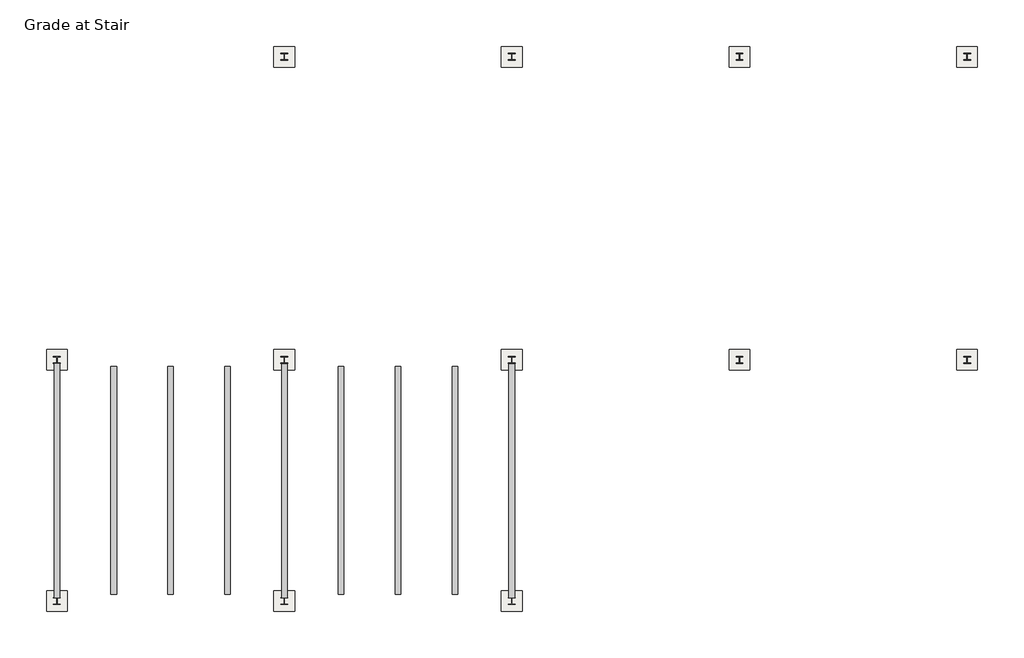
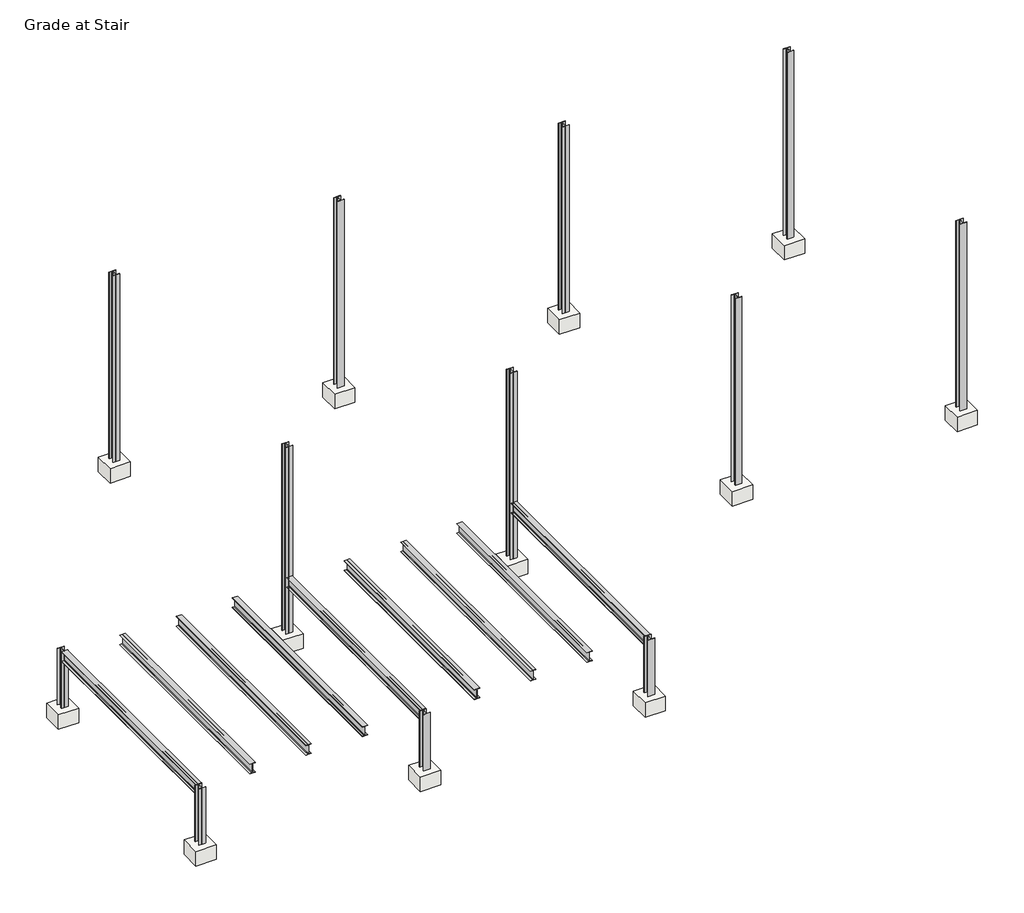
# One storey: 12 columns, 12 slabs, 9 beams.
"""IFC4 building model written with IfcOpenShell, lengths in millimetres."""

import ifcopenshell
import ifcopenshell.guid

model = None  # the IFC model being written
_history = None  # IfcOwnerHistory: only IFC2X3 demands one
_inside = {}  # id of a spatial element -> (the spatial element, [elements in it])
_under = {}  # id of a project, library or spatial element -> (it, [spatial elements below it])
_declared = {}  # id of a project -> (the project, [libraries it declares])
_typed = {}  # id of a type object -> (the type object, [elements of that type])
_made_of = {}  # id of a material, layer set ... -> (it, [elements and type objects made of it])


def new_model(schema):
    """Start an empty IFC model of exactly this schema.

    Asked for "IFC4X3", IfcOpenShell would pick the latest addendum, in which some entities
    have other attributes; the version numbers below select the first issue.
    IFC2X3 requires an IfcOwnerHistory on every rooted entity: one is made here for all.
    """
    global model, _history
    if schema == "IFC4X3":
        model = ifcopenshell.file(schema_version=(4, 3, 0, 0))
    else:
        model = ifcopenshell.file(schema=schema)
    _inside.clear()
    _under.clear()
    _declared.clear()
    _typed.clear()
    _made_of.clear()
    _history = None
    if model.schema == "IFC2X3":
        org = make("IfcOrganization", Name="unknown")
        user = make(
            "IfcPersonAndOrganization",
            ThePerson=make("IfcPerson", FamilyName="unknown"),
            TheOrganization=org,
        )
        app = make(
            "IfcApplication",
            ApplicationDeveloper=org,
            Version="unknown",
            ApplicationFullName="unknown",
            ApplicationIdentifier="unknown",
        )
        _history = make(
            "IfcOwnerHistory",
            OwningUser=user,
            OwningApplication=app,
            ChangeAction="ADDED",
            CreationDate=0,
        )
    return model


def make(cls, **values):
    """One entity of the class cls with the attributes given. An attribute that is None is left unset."""
    return model.create_entity(
        cls, **{name: value for name, value in values.items() if value is not None}
    )


def rooted(cls, **values):
    """An entity with a GlobalId (a new one), such as an element, a storey or a relation."""
    return make(cls, GlobalId=ifcopenshell.guid.new(), OwnerHistory=_history, **values)


def si_unit(unit_type, name, prefix=None):
    """IfcSIUnit, for example si_unit("LENGTHUNIT", "METRE", prefix="MILLI")."""
    return make("IfcSIUnit", UnitType=unit_type, Prefix=prefix, Name=name)


def assignment(units):
    """IfcUnitAssignment: the units of a project."""
    return None if units is None else make("IfcUnitAssignment", Units=units)


def point(xyz):
    """IfcCartesianPoint."""
    return None if xyz is None else make("IfcCartesianPoint", Coordinates=xyz)


def direction(xyz):
    """IfcDirection."""
    return None if xyz is None else make("IfcDirection", DirectionRatios=xyz)


def frame(location, z_axis=None, x_axis=None):
    """IfcAxis2Placement3D, a coordinate frame: its origin and axes. An axis left out is left unset."""
    return make(
        "IfcAxis2Placement3D",
        Location=point(location),
        Axis=direction(z_axis),
        RefDirection=direction(x_axis),
    )


def frame_2d(location, x_axis=None):
    """IfcAxis2Placement2D, a coordinate frame in the plane: its origin and x axis."""
    return make(
        "IfcAxis2Placement2D", Location=point(location), RefDirection=direction(x_axis)
    )


def origin():
    """The frame at (0, 0, 0) with its axes left unset."""
    return frame((0.0, 0.0, 0.0))


def place(relative_to, where):
    """IfcLocalPlacement: puts the frame where relative to a parent placement (None: the world)."""
    return make(
        "IfcLocalPlacement", PlacementRelTo=relative_to, RelativePlacement=where
    )


def context(
    kind, dimensions, precision=None, world=None, true_north=None, identifier=None
):
    """IfcGeometricRepresentationContext, for example the 3D "Model" context."""
    return make(
        "IfcGeometricRepresentationContext",
        ContextIdentifier=identifier,
        ContextType=kind,
        CoordinateSpaceDimension=dimensions,
        Precision=precision,
        WorldCoordinateSystem=world,
        TrueNorth=true_north,
    )


def project(units=None, contexts=None):
    """IfcProject with its units and contexts."""
    return rooted(
        "IfcProject",
        Name="project",
        RepresentationContexts=contexts,
        UnitsInContext=assignment(units),
    )


def spatial(cls, under=None, at=None, **own):
    """A site, building, storey or space (cls), placed at a placement, below another one or the project."""
    s = rooted(cls, ObjectPlacement=at, **own)
    if under is not None:
        _under.setdefault(under.id(), (under, []))[1].append(s)
    return s


def polyline(points):
    """IfcPolyline through the points."""
    return make("IfcPolyline", Points=[point(p) for p in points])


def circle_curve(where, radius):
    """IfcCircle in the frame where."""
    return make("IfcCircle", Position=where, Radius=radius)


def trimmed(basis, trim1, trim2, sense, master):
    """IfcTrimmedCurve: the piece of a basis curve between two trims."""
    return make(
        "IfcTrimmedCurve",
        BasisCurve=basis,
        Trim1=trim1,
        Trim2=trim2,
        SenseAgreement=sense,
        MasterRepresentation=master,
    )


def segment(curve, same_sense, transition):
    """IfcCompositeCurveSegment."""
    return make(
        "IfcCompositeCurveSegment",
        Transition=transition,
        SameSense=same_sense,
        ParentCurve=curve,
    )


def composite_curve(segments, self_intersect=None):
    """IfcCompositeCurve: segments joined end to end."""
    return make("IfcCompositeCurve", Segments=segments, SelfIntersect=self_intersect)


def outline(outer, holes=None, kind="AREA"):
    """IfcArbitraryClosedProfileDef: a profile drawn as a closed curve; with holes, ...WithVoids."""
    if holes is None:
        return make("IfcArbitraryClosedProfileDef", ProfileType=kind, OuterCurve=outer)
    return make(
        "IfcArbitraryProfileDefWithVoids",
        ProfileType=kind,
        OuterCurve=outer,
        InnerCurves=holes,
    )


def extrude(swept, where, along, depth):
    """IfcExtrudedAreaSolid: the profile swept, set in the frame where, extruded along a direction by depth."""
    return make(
        "IfcExtrudedAreaSolid",
        SweptArea=swept,
        Position=where,
        ExtrudedDirection=direction(along),
        Depth=depth,
    )


def shape(context_of_items, identifier, shape_type, items):
    """IfcShapeRepresentation: the items that make up one representation, for example the "Body"."""
    return make(
        "IfcShapeRepresentation",
        ContextOfItems=context_of_items,
        RepresentationIdentifier=identifier,
        RepresentationType=shape_type,
        Items=items,
    )


def source(mapping_origin, context_of_items, identifier, shape_type, items):
    """IfcRepresentationMap: a shape defined once, which mapped items show again and again."""
    return make(
        "IfcRepresentationMap",
        MappingOrigin=mapping_origin,
        MappedRepresentation=shape(context_of_items, identifier, shape_type, items),
    )


def transform(
    local_origin,
    x_axis=None,
    y_axis=None,
    z_axis=None,
    scale=None,
    scale2=None,
    scale3=None,
    uniform=True,
):
    """IfcCartesianTransformationOperator3D, or its non-uniform kind. x_axis, y_axis, z_axis: its Axis1, 2, 3."""
    if uniform:
        return make(
            "IfcCartesianTransformationOperator3D",
            Axis1=direction(x_axis),
            Axis2=direction(y_axis),
            LocalOrigin=point(local_origin),
            Scale=scale,
            Axis3=direction(z_axis),
        )
    return make(
        "IfcCartesianTransformationOperator3DnonUniform",
        Axis1=direction(x_axis),
        Axis2=direction(y_axis),
        LocalOrigin=point(local_origin),
        Scale=scale,
        Axis3=direction(z_axis),
        Scale2=scale2,
        Scale3=scale3,
    )


def mapped(mapping_source, mapping_target):
    """IfcMappedItem: shows the shape of a source again, moved by a transform."""
    return make(
        "IfcMappedItem", MappingSource=mapping_source, MappingTarget=mapping_target
    )


def made_of(thing, what):
    """Note that an element or type object is made of a material, layer set ...; save() writes the relation."""
    if what is not None:
        _made_of.setdefault(what.id(), (what, []))[1].append(thing)
    return thing


def element(
    cls,
    number,
    at=None,
    inside=None,
    cuts=None,
    type_object=None,
    material=None,
    context=None,
    identifier="Body",
    shape_type=None,
    held_by="IfcProductDefinitionShape",
    body=None,
    shapes=None,
    **own,
):
    """One element of the class cls, such as IfcWall. Its Tag is "e" and its number.

    at: its placement. inside: the storey or other place that contains it. cuts: it is an
    opening in that element (IfcRelVoidsElement). A single representation is given by context,
    identifier, shape_type and body (its items); several are given by shapes. held_by: the class
    of the entity that holds the representations. save() writes the other relations.
    """
    e = rooted(cls, Tag="e%d" % number, ObjectPlacement=at, **own)
    if body is not None:
        shapes = [shape(context, identifier, shape_type, body)]
    if shapes is not None:
        e.Representation = make(held_by, Representations=shapes)
    if inside is not None:
        _inside.setdefault(inside.id(), (inside, []))[1].append(e)
    if cuts is not None:
        rooted(
            "IfcRelVoidsElement", RelatingBuildingElement=cuts, RelatedOpeningElement=e
        )
    if type_object is not None:
        _typed.setdefault(type_object.id(), (type_object, []))[1].append(e)
    return made_of(e, material)


def aggregate(whole, parts):
    """IfcRelAggregates: a whole, such as a stair, and the parts it consists of."""
    return rooted("IfcRelAggregates", RelatingObject=whole, RelatedObjects=parts)


def save(model, path):
    """Write the relations noted so far, then the file.

    IfcRelAggregates (storeys below a building ...), IfcRelContainedInSpatialStructure (elements
    in a storey), IfcRelDefinesByType, IfcRelAssociatesMaterial and IfcRelDeclares: one each for
    every whole, place, type object, material and project.
    """
    for whole, parts in _under.values():
        aggregate(whole, parts)
    for where, things in _inside.values():
        rooted(
            "IfcRelContainedInSpatialStructure",
            RelatedElements=things,
            RelatingStructure=where,
        )
    for kind, things in _typed.values():
        rooted("IfcRelDefinesByType", RelatedObjects=things, RelatingType=kind)
    for what, things in _made_of.values():
        rooted("IfcRelAssociatesMaterial", RelatedObjects=things, RelatingMaterial=what)
    for by, libraries in _declared.values():
        rooted("IfcRelDeclares", RelatingContext=by, RelatedDefinitions=libraries)
    model.write(path)


def w_wide_flange_w12x26_2a02e2bb(model_context):
    return source(origin(), model_context, "Body", "SweptSolid", [
        extrude(outline(composite_curve([segment(polyline([(82.4011719, -145.5539063), (82.4011719, -155.178125), (-82.4011719, -155.178125), (-82.4011719, -145.5539063), (-20.2902344, -145.5539063)]), True, "CONTINUOUS"), segment(trimmed(circle_curve(frame_2d((-20.2902344, -128.190625)), 17.3632812), [point((-20.2902344, -145.5539063))], [point((-2.9269531, -128.190625))], True, "CARTESIAN"), True, "CONTINUOUS"), segment(polyline([(-2.9269531, -128.190625), (-2.9269531, 128.190625)]), True, "CONTINUOUS"), segment(trimmed(circle_curve(frame_2d((-20.2902344, 128.190625)), 17.3632812), [point((-2.9269531, 128.190625))], [point((-20.2902344, 145.5539062))], True, "CARTESIAN"), True, "CONTINUOUS"), segment(polyline([(-20.2902344, 145.5539062), (-82.4011719, 145.5539062), (-82.4011719, 155.178125), (82.4011719, 155.178125), (82.4011719, 145.5539062), (20.2902344, 145.5539062)]), True, "CONTINUOUS"), segment(trimmed(circle_curve(frame_2d((20.2902344, 128.190625)), 17.3632812), [point((20.2902344, 145.5539062))], [point((2.9269531, 128.190625))], True, "CARTESIAN"), True, "CONTINUOUS"), segment(polyline([(2.9269531, 128.190625), (2.9269531, -128.190625)]), True, "CONTINUOUS"), segment(trimmed(circle_curve(frame_2d((20.2902344, -128.190625)), 17.3632812), [point((2.9269531, -128.190625))], [point((20.2902344, -145.5539063))], True, "CARTESIAN"), True, "CONTINUOUS"), segment(polyline([(20.2902344, -145.5539063), (82.4011719, -145.5539063)]), True, "CONTINUOUS")], self_intersect=False)), frame((-3444.875, 0.0, 0.0), z_axis=(1.0, 0.0, 0.0), x_axis=(0.0, 1.0, 0.0)), (0.0, 0.0, 1.0), 6902.45),
    ])


def w_wide_flange_w12x26_dfadcac6(model_context):
    return source(origin(), model_context, "Body", "SweptSolid", [
        extrude(outline(composite_curve([segment(polyline([(82.4011719, -145.5539063), (82.4011719, -155.178125), (-82.4011719, -155.178125), (-82.4011719, -145.5539063), (-20.2902344, -145.5539063)]), True, "CONTINUOUS"), segment(trimmed(circle_curve(frame_2d((-20.2902344, -128.190625)), 17.3632812), [point((-20.2902344, -145.5539063))], [point((-2.9269531, -128.190625))], True, "CARTESIAN"), True, "CONTINUOUS"), segment(polyline([(-2.9269531, -128.190625), (-2.9269531, 128.190625)]), True, "CONTINUOUS"), segment(trimmed(circle_curve(frame_2d((-20.2902344, 128.190625)), 17.3632812), [point((-2.9269531, 128.190625))], [point((-20.2902344, 145.5539062))], True, "CARTESIAN"), True, "CONTINUOUS"), segment(polyline([(-20.2902344, 145.5539062), (-82.4011719, 145.5539062), (-82.4011719, 155.178125), (82.4011719, 155.178125), (82.4011719, 145.5539062), (20.2902344, 145.5539062)]), True, "CONTINUOUS"), segment(trimmed(circle_curve(frame_2d((20.2902344, 128.190625)), 17.3632812), [point((20.2902344, 145.5539062))], [point((2.9269531, 128.190625))], True, "CARTESIAN"), True, "CONTINUOUS"), segment(polyline([(2.9269531, 128.190625), (2.9269531, -128.190625)]), True, "CONTINUOUS"), segment(trimmed(circle_curve(frame_2d((20.2902344, -128.190625)), 17.3632812), [point((2.9269531, -128.190625))], [point((20.2902344, -145.5539063))], True, "CARTESIAN"), True, "CONTINUOUS"), segment(polyline([(20.2902344, -145.5539063), (82.4011719, -145.5539063)]), True, "CONTINUOUS")], self_intersect=False)), frame((-3358.515, 0.0, 0.0), z_axis=(1.0, 0.0, 0.0), x_axis=(0.0, 1.0, 0.0)), (0.0, 0.0, 1.0), 6717.03),
    ])


def w_wide_flange_w12x26_c7bc9cb6(model_context):
    return source(origin(), model_context, "Body", "SweptSolid", [
        extrude(outline(composite_curve([segment(polyline([(82.4011719, -145.5539063), (82.4011719, -155.178125), (-82.4011719, -155.178125), (-82.4011719, -145.5539063), (-20.2902344, -145.5539063)]), True, "CONTINUOUS"), segment(trimmed(circle_curve(frame_2d((-20.2902344, -128.190625)), 17.3632812), [point((-20.2902344, -145.5539063))], [point((-2.9269531, -128.190625))], True, "CARTESIAN"), True, "CONTINUOUS"), segment(polyline([(-2.9269531, -128.190625), (-2.9269531, 128.190625)]), True, "CONTINUOUS"), segment(trimmed(circle_curve(frame_2d((-20.2902344, 128.190625)), 17.3632812), [point((-2.9269531, 128.190625))], [point((-20.2902344, 145.5539062))], True, "CARTESIAN"), True, "CONTINUOUS"), segment(polyline([(-20.2902344, 145.5539062), (-82.4011719, 145.5539062), (-82.4011719, 155.178125), (82.4011719, 155.178125), (82.4011719, 145.5539062), (20.2902344, 145.5539062)]), True, "CONTINUOUS"), segment(trimmed(circle_curve(frame_2d((20.2902344, 128.190625)), 17.3632812), [point((20.2902344, 145.5539062))], [point((2.9269531, 128.190625))], True, "CARTESIAN"), True, "CONTINUOUS"), segment(polyline([(2.9269531, 128.190625), (2.9269531, -128.190625)]), True, "CONTINUOUS"), segment(trimmed(circle_curve(frame_2d((20.2902344, -128.190625)), 17.3632812), [point((2.9269531, -128.190625))], [point((20.2902344, -145.5539063))], True, "CARTESIAN"), True, "CONTINUOUS"), segment(polyline([(20.2902344, -145.5539063), (82.4011719, -145.5539063)]), True, "CONTINUOUS")], self_intersect=False)), frame((-3457.575, 0.0, 0.0), z_axis=(1.0, 0.0, 0.0), x_axis=(0.0, 1.0, 0.0)), (0.0, 0.0, 1.0), 6915.15),
    ])


def w_wide_flange_column_w8x31_28103b56(model_context):
    return source(origin(), model_context, "Body", "SweptSolid", [
        extrude(outline(composite_curve([segment(polyline([(101.6, 101.6), (101.6, 90.551), (21.1455, 90.551)]), True, "CONTINUOUS"), segment(trimmed(circle_curve(frame_2d((21.1455, 73.025)), 17.526), [point((21.1455, 90.551))], [point((3.6195, 73.025))], True, "CARTESIAN"), True, "CONTINUOUS"), segment(polyline([(3.6195, 73.025), (3.6195, -73.025)]), True, "CONTINUOUS"), segment(trimmed(circle_curve(frame_2d((21.1455, -73.025)), 17.526), [point((3.6195, -73.025))], [point((21.1455, -90.551))], True, "CARTESIAN"), True, "CONTINUOUS"), segment(polyline([(21.1455, -90.551), (101.6, -90.551), (101.6, -101.6), (-101.6, -101.6), (-101.6, -90.551), (-21.1455, -90.551)]), True, "CONTINUOUS"), segment(trimmed(circle_curve(frame_2d((-21.1455, -73.025)), 17.526), [point((-21.1455, -90.551))], [point((-3.6195, -73.025))], True, "CARTESIAN"), True, "CONTINUOUS"), segment(polyline([(-3.6195, -73.025), (-3.6195, 73.025)]), True, "CONTINUOUS"), segment(trimmed(circle_curve(frame_2d((-21.1455, 73.025)), 17.526), [point((-3.6195, 73.025))], [point((-21.1455, 90.551))], True, "CARTESIAN"), True, "CONTINUOUS"), segment(polyline([(-21.1455, 90.551), (-101.6, 90.551), (-101.6, 101.6), (101.6, 101.6)]), True, "CONTINUOUS")], self_intersect=False)), frame((0.0, 0.0, -1879.6), z_axis=(0.0, 0.0, 1.0), x_axis=(1.0, 0.0, 0.0)), (0.0, 0.0, 1.0), 1778.0),
    ])


def w_wide_flange_column_w8x31_0215fd9c(model_context):
    return source(origin(), model_context, "Body", "SweptSolid", [
        extrude(outline(composite_curve([segment(polyline([(101.6, 101.6), (101.6, 90.551), (21.1455, 90.551)]), True, "CONTINUOUS"), segment(trimmed(circle_curve(frame_2d((21.1455, 73.025)), 17.526), [point((21.1455, 90.551))], [point((3.6195, 73.025))], True, "CARTESIAN"), True, "CONTINUOUS"), segment(polyline([(3.6195, 73.025), (3.6195, -73.025)]), True, "CONTINUOUS"), segment(trimmed(circle_curve(frame_2d((21.1455, -73.025)), 17.526), [point((3.6195, -73.025))], [point((21.1455, -90.551))], True, "CARTESIAN"), True, "CONTINUOUS"), segment(polyline([(21.1455, -90.551), (101.6, -90.551), (101.6, -101.6), (-101.6, -101.6), (-101.6, -90.551), (-21.1455, -90.551)]), True, "CONTINUOUS"), segment(trimmed(circle_curve(frame_2d((-21.1455, -73.025)), 17.526), [point((-21.1455, -90.551))], [point((-3.6195, -73.025))], True, "CARTESIAN"), True, "CONTINUOUS"), segment(polyline([(-3.6195, -73.025), (-3.6195, 73.025)]), True, "CONTINUOUS"), segment(trimmed(circle_curve(frame_2d((-21.1455, 73.025)), 17.526), [point((-3.6195, 73.025))], [point((-21.1455, 90.551))], True, "CARTESIAN"), True, "CONTINUOUS"), segment(polyline([(-21.1455, 90.551), (-101.6, 90.551), (-101.6, 101.6), (101.6, 101.6)]), True, "CONTINUOUS")], self_intersect=False)), frame((0.0, 0.0, -1879.6), z_axis=(0.0, 0.0, 1.0), x_axis=(1.0, 0.0, 0.0)), (0.0, 0.0, 1.0), 5892.8),
    ])


def slab_7414108b(model_context):
    return source(origin(), model_context, "Body", "SweptSolid", [
        extrude(outline(polyline([(304.8, 304.8), (304.8, -304.8), (-304.8, -304.8), (-304.8, 304.8), (304.8, 304.8)])), frame((0.0, 0.0, -457.2), z_axis=(0.0, 0.0, 1.0), x_axis=(1.0, 0.0, 0.0)), (0.0, 0.0, 1.0), 457.2),
    ])


model = new_model("IFC4")

# Units and contexts
model_context = context("Model", 3, world=origin())
ifc_project = project(units=[si_unit("LENGTHUNIT", "METRE", prefix="MILLI")], contexts=[model_context])

# Site, building, storey
site = spatial("IfcSite", under=ifc_project)
building = spatial("IfcBuilding", under=site)
storey = spatial("IfcBuildingStorey", under=building, Name="Grade at Stair", Elevation=-660.4)

# Beams
placement = place(None, origin())
w_wide_flange_w12x26_shape = w_wide_flange_w12x26_2a02e2bb(model_context)
element("IfcBeam", 1, ObjectType="W-Wide Flange : W12X26", at=placement, inside=storey, context=model_context, shape_type="MappedRepresentation", body=[
    mapped(w_wide_flange_w12x26_shape, transform((8420.1, 3457.575, -244.078125), x_axis=(0.0, -1.0, 0.0), y_axis=(1.0, 0.0, 0.0), z_axis=(0.0, 0.0, 1.0))),
])
element("IfcBeam", 2, ObjectType="W-Wide Flange : W12X26", at=placement, inside=storey, context=model_context, shape_type="MappedRepresentation", body=[
    mapped(w_wide_flange_w12x26_shape, transform((15125.7, 3457.575, -244.078125), x_axis=(0.0, -1.0, 0.0), y_axis=(1.0, 0.0, 0.0), z_axis=(0.0, 0.0, 1.0))),
])
w_wide_flange_w12x26_2_shape = w_wide_flange_w12x26_dfadcac6(model_context)
element("IfcBeam", 3, ObjectType="W-Wide Flange : W12X26", at=placement, inside=storey, context=model_context, shape_type="MappedRepresentation", body=[
    mapped(w_wide_flange_w12x26_2_shape, transform((3390.9, 3457.575, -244.078125), x_axis=(0.0, -1.0, 0.0), y_axis=(1.0, 0.0, 0.0), z_axis=(0.0, 0.0, 1.0))),
])
element("IfcBeam", 4, ObjectType="W-Wide Flange : W12X26", at=placement, inside=storey, context=model_context, shape_type="MappedRepresentation", body=[
    mapped(w_wide_flange_w12x26_2_shape, transform((5067.3, 3457.575, -244.078125), x_axis=(0.0, -1.0, 0.0), y_axis=(1.0, 0.0, 0.0), z_axis=(0.0, 0.0, 1.0))),
])
element("IfcBeam", 5, ObjectType="W-Wide Flange : W12X26", at=placement, inside=storey, context=model_context, shape_type="MappedRepresentation", body=[
    mapped(w_wide_flange_w12x26_2_shape, transform((6743.7, 3457.575, -244.078125), x_axis=(0.0, -1.0, 0.0), y_axis=(1.0, 0.0, 0.0), z_axis=(0.0, 0.0, 1.0))),
])
element("IfcBeam", 6, ObjectType="W-Wide Flange : W12X26", at=placement, inside=storey, context=model_context, shape_type="MappedRepresentation", body=[
    mapped(w_wide_flange_w12x26_2_shape, transform((10096.5, 3457.575, -244.078125), x_axis=(0.0, -1.0, 0.0), y_axis=(1.0, 0.0, 0.0), z_axis=(0.0, 0.0, 1.0))),
])
element("IfcBeam", 7, ObjectType="W-Wide Flange : W12X26", at=placement, inside=storey, context=model_context, shape_type="MappedRepresentation", body=[
    mapped(w_wide_flange_w12x26_2_shape, transform((11772.9, 3457.575, -244.078125), x_axis=(0.0, -1.0, 0.0), y_axis=(1.0, 0.0, 0.0), z_axis=(0.0, 0.0, 1.0))),
])
element("IfcBeam", 8, ObjectType="W-Wide Flange : W12X26", at=placement, inside=storey, context=model_context, shape_type="MappedRepresentation", body=[
    mapped(w_wide_flange_w12x26_2_shape, transform((13449.3, 3457.575, -244.078125), x_axis=(0.0, -1.0, 0.0), y_axis=(1.0, 0.0, 0.0), z_axis=(0.0, 0.0, 1.0))),
])
w_wide_flange_w12x26_3_shape = w_wide_flange_w12x26_c7bc9cb6(model_context)
element("IfcBeam", 9, ObjectType="W-Wide Flange : W12X26", at=placement, inside=storey, context=model_context, shape_type="MappedRepresentation", body=[
    mapped(w_wide_flange_w12x26_3_shape, transform((1714.5, 3457.575, -244.078125), x_axis=(0.0, -1.0, 0.0), y_axis=(1.0, 0.0, 0.0), z_axis=(0.0, 0.0, 1.0))),
])

# Columns
w_wide_flange_column_w8x31_shape = w_wide_flange_column_w8x31_28103b56(model_context)
element("IfcColumn", 10, ObjectType="W-Wide Flange-Column : W8X31", at=placement, inside=storey, context=model_context, shape_type="MappedRepresentation", body=[
    mapped(w_wide_flange_column_w8x31_shape, transform((1714.5, -101.6, 0.0), x_axis=(1.0, 0.0, 0.0), y_axis=(0.0, 1.0, 0.0), z_axis=(0.0, 0.0, 1.0))),
])
element("IfcColumn", 11, ObjectType="W-Wide Flange-Column : W8X31", at=placement, inside=storey, context=model_context, shape_type="MappedRepresentation", body=[
    mapped(w_wide_flange_column_w8x31_shape, transform((8420.1, -101.6, 0.0), x_axis=(1.0, 0.0, 0.0), y_axis=(0.0, 1.0, 0.0), z_axis=(0.0, 0.0, 1.0))),
])
element("IfcColumn", 12, ObjectType="W-Wide Flange-Column : W8X31", at=placement, inside=storey, context=model_context, shape_type="MappedRepresentation", body=[
    mapped(w_wide_flange_column_w8x31_shape, transform((15125.7, -101.6, 0.0), x_axis=(1.0, 0.0, 0.0), y_axis=(0.0, 1.0, 0.0), z_axis=(0.0, 0.0, 1.0))),
])
element("IfcColumn", 13, ObjectType="W-Wide Flange-Column : W8X31", at=placement, inside=storey, context=model_context, shape_type="MappedRepresentation", body=[
    mapped(w_wide_flange_column_w8x31_shape, transform((1714.5, 7016.75, 0.0), x_axis=(1.0, 0.0, 0.0), y_axis=(0.0, 1.0, 0.0), z_axis=(0.0, 0.0, 1.0))),
])
w_wide_flange_column_w8x31_2_shape = w_wide_flange_column_w8x31_0215fd9c(model_context)
element("IfcColumn", 14, ObjectType="W-Wide Flange-Column : W8X31", at=placement, inside=storey, context=model_context, shape_type="MappedRepresentation", body=[
    mapped(w_wide_flange_column_w8x31_2_shape, transform((8420.1, 7016.75, 0.0), x_axis=(1.0, 0.0, 0.0), y_axis=(0.0, 1.0, 0.0), z_axis=(0.0, 0.0, 1.0))),
])
element("IfcColumn", 15, ObjectType="W-Wide Flange-Column : W8X31", at=placement, inside=storey, context=model_context, shape_type="MappedRepresentation", body=[
    mapped(w_wide_flange_column_w8x31_2_shape, transform((15125.7, 7016.75, 0.0), x_axis=(1.0, 0.0, 0.0), y_axis=(0.0, 1.0, 0.0), z_axis=(0.0, 0.0, 1.0))),
])
element("IfcColumn", 16, ObjectType="W-Wide Flange-Column : W8X31", at=placement, inside=storey, context=model_context, shape_type="MappedRepresentation", body=[
    mapped(w_wide_flange_column_w8x31_2_shape, transform((21840.825, 7016.75, 0.0), x_axis=(1.0, 0.0, 0.0), y_axis=(0.0, 1.0, 0.0), z_axis=(0.0, 0.0, 1.0))),
])
element("IfcColumn", 17, ObjectType="W-Wide Flange-Column : W8X31", at=placement, inside=storey, context=model_context, shape_type="MappedRepresentation", body=[
    mapped(w_wide_flange_column_w8x31_2_shape, transform((28552.775, 7016.75, 0.0), x_axis=(1.0, 0.0, 0.0), y_axis=(0.0, 1.0, 0.0), z_axis=(0.0, 0.0, 1.0))),
])
element("IfcColumn", 18, ObjectType="W-Wide Flange-Column : W8X31", at=placement, inside=storey, context=model_context, shape_type="MappedRepresentation", body=[
    mapped(w_wide_flange_column_w8x31_2_shape, transform((28552.775, 15957.55, 0.0), x_axis=(1.0, 0.0, 0.0), y_axis=(0.0, 1.0, 0.0), z_axis=(0.0, 0.0, 1.0))),
])
element("IfcColumn", 19, ObjectType="W-Wide Flange-Column : W8X31", at=placement, inside=storey, context=model_context, shape_type="MappedRepresentation", body=[
    mapped(w_wide_flange_column_w8x31_2_shape, transform((21840.825, 15957.55, 0.0), x_axis=(1.0, 0.0, 0.0), y_axis=(0.0, 1.0, 0.0), z_axis=(0.0, 0.0, 1.0))),
])
element("IfcColumn", 20, ObjectType="W-Wide Flange-Column : W8X31", at=placement, inside=storey, context=model_context, shape_type="MappedRepresentation", body=[
    mapped(w_wide_flange_column_w8x31_2_shape, transform((15125.7, 15957.55, 0.0), x_axis=(1.0, 0.0, 0.0), y_axis=(0.0, 1.0, 0.0), z_axis=(0.0, 0.0, 1.0))),
])
element("IfcColumn", 21, ObjectType="W-Wide Flange-Column : W8X31", at=placement, inside=storey, context=model_context, shape_type="MappedRepresentation", body=[
    mapped(w_wide_flange_column_w8x31_2_shape, transform((8420.1, 15957.55, 0.0), x_axis=(1.0, 0.0, 0.0), y_axis=(0.0, 1.0, 0.0), z_axis=(0.0, 0.0, 1.0))),
])

# Slabs
slab_shape = slab_7414108b(model_context)
element("IfcSlab", 22, ObjectType="Pile Cap-Rectangular : 24\" x 24\" x 18\"", at=placement, inside=storey, context=model_context, shape_type="MappedRepresentation", body=[
    mapped(slab_shape, transform((8420.1, -101.6, -1879.6), x_axis=(1.0, 0.0, 0.0), y_axis=(0.0, 1.0, 0.0), z_axis=(0.0, 0.0, 1.0))),
])
element("IfcSlab", 23, ObjectType="Pile Cap-Rectangular : 24\" x 24\" x 18\"", at=placement, inside=storey, context=model_context, shape_type="MappedRepresentation", body=[
    mapped(slab_shape, transform((1714.5, -101.6, -1879.6), x_axis=(1.0, 0.0, 0.0), y_axis=(0.0, 1.0, 0.0), z_axis=(0.0, 0.0, 1.0))),
])
element("IfcSlab", 24, ObjectType="Pile Cap-Rectangular : 24\" x 24\" x 18\"", at=placement, inside=storey, context=model_context, shape_type="MappedRepresentation", body=[
    mapped(slab_shape, transform((1714.5, 7016.75, -1879.6), x_axis=(1.0, 0.0, 0.0), y_axis=(0.0, 1.0, 0.0), z_axis=(0.0, 0.0, 1.0))),
])
element("IfcSlab", 25, ObjectType="Pile Cap-Rectangular : 24\" x 24\" x 18\"", at=placement, inside=storey, context=model_context, shape_type="MappedRepresentation", body=[
    mapped(slab_shape, transform((8420.1, 7016.75, -1879.6), x_axis=(1.0, 0.0, 0.0), y_axis=(0.0, 1.0, 0.0), z_axis=(0.0, 0.0, 1.0))),
])
element("IfcSlab", 26, ObjectType="Pile Cap-Rectangular : 24\" x 24\" x 18\"", at=placement, inside=storey, context=model_context, shape_type="MappedRepresentation", body=[
    mapped(slab_shape, transform((15125.7, 7016.75, -1879.6), x_axis=(1.0, 0.0, 0.0), y_axis=(0.0, 1.0, 0.0), z_axis=(0.0, 0.0, 1.0))),
])
element("IfcSlab", 27, ObjectType="Pile Cap-Rectangular : 24\" x 24\" x 18\"", at=placement, inside=storey, context=model_context, shape_type="MappedRepresentation", body=[
    mapped(slab_shape, transform((15125.7, -101.6, -1879.6), x_axis=(1.0, 0.0, 0.0), y_axis=(0.0, 1.0, 0.0), z_axis=(0.0, 0.0, 1.0))),
])
element("IfcSlab", 28, ObjectType="Pile Cap-Rectangular : 24\" x 24\" x 18\"", at=placement, inside=storey, context=model_context, shape_type="MappedRepresentation", body=[
    mapped(slab_shape, transform((8420.1, 15957.55, -1879.6), x_axis=(1.0, 0.0, 0.0), y_axis=(0.0, 1.0, 0.0), z_axis=(0.0, 0.0, 1.0))),
])
element("IfcSlab", 29, ObjectType="Pile Cap-Rectangular : 24\" x 24\" x 18\"", at=placement, inside=storey, context=model_context, shape_type="MappedRepresentation", body=[
    mapped(slab_shape, transform((15125.7, 15957.55, -1879.6), x_axis=(1.0, 0.0, 0.0), y_axis=(0.0, 1.0, 0.0), z_axis=(0.0, 0.0, 1.0))),
])
element("IfcSlab", 30, ObjectType="Pile Cap-Rectangular : 24\" x 24\" x 18\"", at=placement, inside=storey, context=model_context, shape_type="MappedRepresentation", body=[
    mapped(slab_shape, transform((21840.825, 15957.55, -1879.6), x_axis=(1.0, 0.0, 0.0), y_axis=(0.0, 1.0, 0.0), z_axis=(0.0, 0.0, 1.0))),
])
element("IfcSlab", 31, ObjectType="Pile Cap-Rectangular : 24\" x 24\" x 18\"", at=placement, inside=storey, context=model_context, shape_type="MappedRepresentation", body=[
    mapped(slab_shape, transform((28552.775, 15957.55, -1879.6), x_axis=(1.0, 0.0, 0.0), y_axis=(0.0, 1.0, 0.0), z_axis=(0.0, 0.0, 1.0))),
])
element("IfcSlab", 32, ObjectType="Pile Cap-Rectangular : 24\" x 24\" x 18\"", at=placement, inside=storey, context=model_context, shape_type="MappedRepresentation", body=[
    mapped(slab_shape, transform((21840.825, 7016.75, -1879.6), x_axis=(1.0, 0.0, 0.0), y_axis=(0.0, 1.0, 0.0), z_axis=(0.0, 0.0, 1.0))),
])
element("IfcSlab", 33, ObjectType="Pile Cap-Rectangular : 24\" x 24\" x 18\"", at=placement, inside=storey, context=model_context, shape_type="MappedRepresentation", body=[
    mapped(slab_shape, transform((28552.775, 7016.75, -1879.6), x_axis=(1.0, 0.0, 0.0), y_axis=(0.0, 1.0, 0.0), z_axis=(0.0, 0.0, 1.0))),
])

save(model, "model.ifc")
